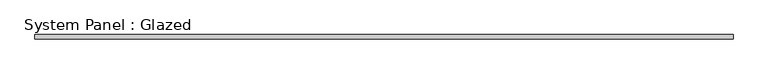
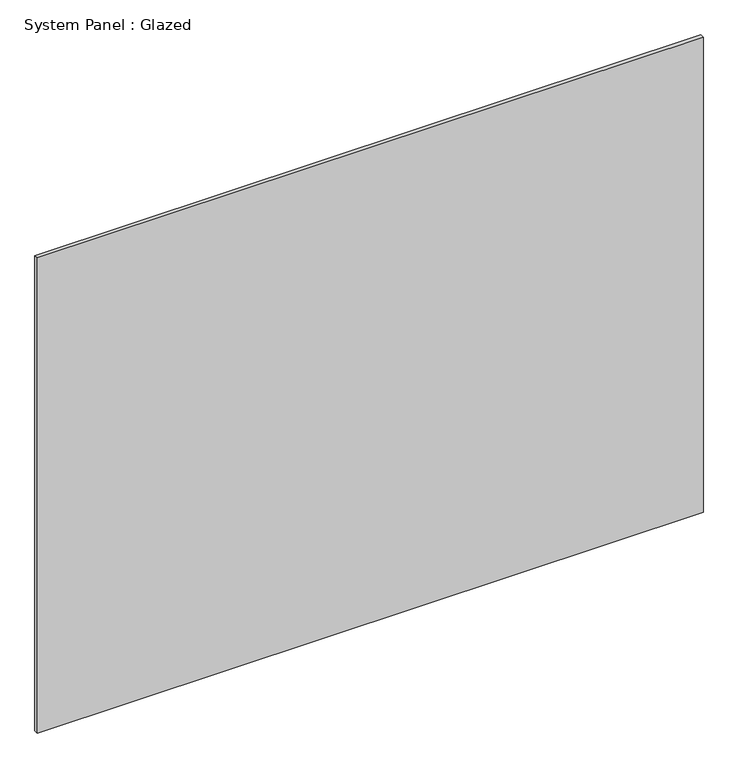
"""IFC4 building model written with IfcOpenShell, lengths in millimetres: plate geometry, System Panel : Glazed."""

from ifc_helpers import new_model, si_unit, origin, origin_with_axes, place, context, project, spatial, polyline, outline, extrude, source, transform, mapped, element, save


def system_panel_glazed_49ad209f(model_context):
    return source(origin(), model_context, "Body", "SweptSolid", [
        extrude(outline(polyline([(1989.3469268, -49.5), (-1989.3469268, -49.5), (-1989.3469268, -24.5), (1989.3469268, -24.5), (1989.3469268, -49.5)])), origin_with_axes(), (0.0, 0.0, 1.0), 3000.0),
    ])


if __name__ == "__main__":
    model = new_model("IFC4")
    model_context = context("Model", 3, world=origin())
    ifc_project = project(units=[si_unit("LENGTHUNIT", "METRE", prefix="MILLI")], contexts=[model_context])
    site = spatial("IfcSite", under=ifc_project)
    building = spatial("IfcBuilding", under=site)
    placement = place(None, origin())
    system_panel_glazed_shape = system_panel_glazed_49ad209f(model_context)
    element("IfcPlate", 1, ObjectType="System Panel : Glazed", at=placement, inside=building, context=model_context, shape_type="MappedRepresentation", body=[
        mapped(system_panel_glazed_shape, transform((0.0, 0.0, 0.0), x_axis=(1.0, 0.0, 0.0), y_axis=(0.0, 1.0, 0.0), z_axis=(0.0, 0.0, 1.0))),
    ])
    save(model, "model.ifc")
